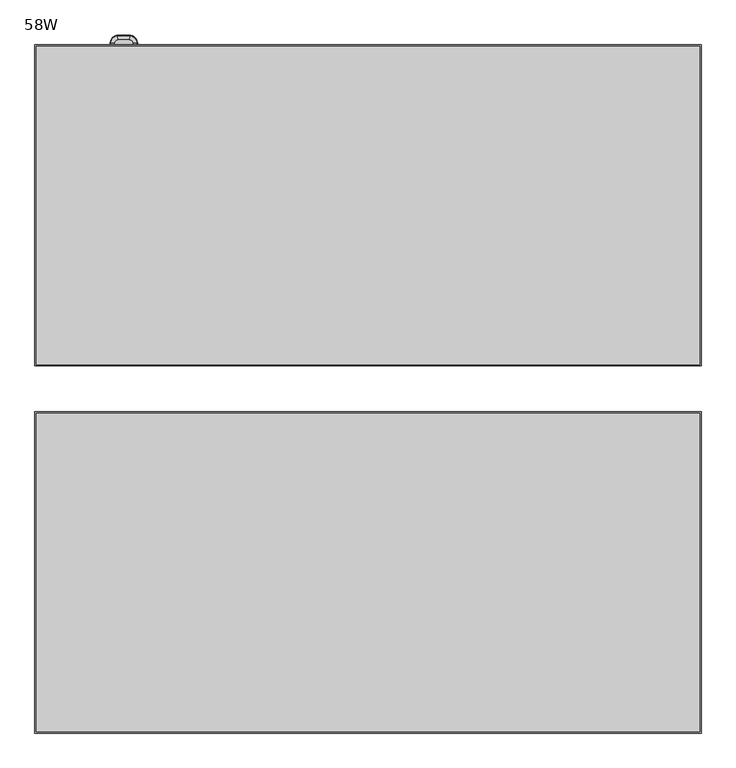
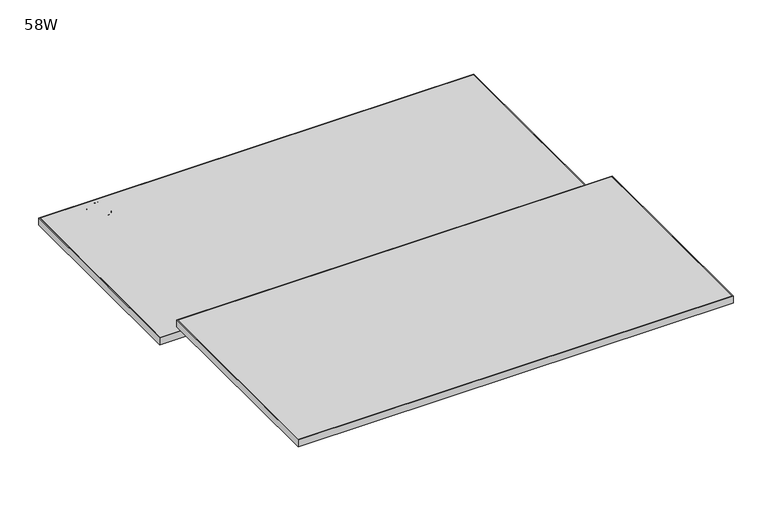
"""IFC4 building model written with IfcOpenShell, lengths in millimetres: furniture geometry, 58W."""

from ifc_helpers import new_model, si_unit, point, frame, origin, place, context, project, spatial, polyline, circle_curve, ellipse_curve, trimmed, outline, extrude, source, transform, mapped, element, save
from ifc_brep_helpers import plane_surface, revolved_surface, advanced_brep


def furniture_58w_2a44a207(model_context):
    return source(origin(), model_context, "Body", "SolidModel", [
        advanced_brep(
        [(-553.8115374, 822.8053798, 864.0002905), (-554.9543179, 830.4598422, 861.1834162), (-568.4427261, 815.5601737, 861.1834162), (-560.7126626, 815.1822062, 864.0002905), (-569.70939, 815.6221082, 859.7527708), (-555.1415762, 831.7141179, 859.7527708), (-555.1660814, 831.8782564, 855.4840916), (-569.8751497, 815.6302132, 855.4840916), (-568.2943896, 779.9758204, 861.1834162), (-560.5677458, 780.4182206, 864.0002905), (-569.7261794, 779.8938412, 855.4840916), (-569.5604931, 779.9033279, 859.7527708), (-554.1675965, 765.2103493, 861.1834162), (-553.3841927, 772.909896, 864.0002905), (-554.3127656, 763.7835807, 855.4840916), (-554.2959667, 763.9486859, 859.7527708), (-526.8358016, 765.0298244, 861.1834162), (-527.5174314, 772.7390475, 864.0002905), (-526.7094919, 763.6012626, 855.4840916), (-526.7241084, 763.7665754, 859.7527708), (-511.1085802, 781.3244805, 861.1834162), (-518.8371131, 781.7325499, 864.0002905), (-509.6764403, 781.248863, 855.4840916), (-509.8421671, 781.2576135, 859.7527708), (-510.9872101, 814.6662347, 861.1834162), (-518.718509, 814.314442, 864.0002905), (-509.5545576, 814.7314238, 855.4840916), (-509.7203437, 814.7238802, 859.7527708), (-525.506564, 830.6029673, 861.1834162), (-526.5748861, 822.9377583, 864.0002905), (-525.3085979, 832.023373, 855.4840916), (-525.3315065, 831.859004, 859.7527708), (-560.7126626, 815.1822062, 851.2999998), (-553.8115374, 822.8053798, 851.2999998), (-526.5748861, 822.9377583, 851.2999998), (-518.718509, 814.314442, 851.2999998), (-518.8371131, 781.7325499, 851.2999998), (-527.5174314, 772.7390475, 851.2999998), (-553.3841927, 772.909896, 851.2999998), (-560.5677458, 780.4182206, 851.2999998), (-569.5250419, 815.6130944, 854.740773), (-555.114323, 831.5315728, 854.740773), (-569.3762266, 779.9138783, 854.740773), (-554.2772839, 764.1323063, 854.740773), (-526.740364, 763.9504265, 854.740773), (-510.0264787, 781.2673452, 854.740773), (-509.9047213, 814.7154906, 854.740773), (-525.3569841, 831.6762026, 854.740773)],
        [
            (0, 1),
            (1, 2, circle_curve(frame((-552.6143107, 814.786231, 861.1834162), z_axis=(0.0, 0.0, 1.0), x_axis=(-0.14765943736555143, 0.9890382654664525, 0.0)), 15.8473253)),
            (2, 3),
            (3, 0, circle_curve(frame((-552.6143107, 814.786231, 863.9999998), z_axis=(0.0, 0.0, -1.0), x_axis=(-0.14765943736555143, 0.9890382654664525, 0.0)), 8.1088255)),
            (4, 5, circle_curve(frame((-552.6143107, 814.786231, 859.7527708), z_axis=(0.0, 0.0, -1.0), x_axis=(-0.14765943736555143, 0.9890382654664525, 0.0)), 17.1155025)),
            (5, 6, circle_curve(frame((-553.5147111, 820.8172064, 857.1868597), z_axis=(-0.9890382654664525, -0.1476594373655514, 0.0), x_axis=(0.1476594373655514, -0.9890382654664525, 0.0)), 11.3125272)),
            (6, 7, circle_curve(frame((-552.6143107, 814.786231, 855.4840916), z_axis=(0.0, 0.0, 1.0), x_axis=(-0.14765943736555143, 0.9890382654664525, 0.0)), 17.2814602)),
            (7, 4, circle_curve(frame((-558.7048525, 815.0840328, 857.1868597), z_axis=(0.04883743353824005, 0.9988067406087116, 0.0), x_axis=(0.9988067406087116, -0.04883743353824005, 0.0)), 11.3125272)),
            (1, 5, circle_curve(frame((-554.8529657, 829.7809746, 859.2975708), z_axis=(-0.9890382654664525, -0.1476594373655514, 0.0), x_axis=(0.1476594373655514, -0.9890382654664525, 0.0)), 2.0068747)),
            (4, 2, circle_curve(frame((-567.7571536, 815.5266521, 859.2975708), z_axis=(0.04883743353824094, 0.9988067406087116, 0.0), x_axis=(0.9988067406087116, -0.04883743353824094, 0.0)), 2.0068747)),
            (2, 8, circle_curve(frame((-233.1426653, 799.1654161, 861.1834162), z_axis=(0.0, 0.0, 1.0), x_axis=(-0.9988067406087116, 0.04883743353824024, 0.0)), 335.7006387)),
            (8, 9),
            (9, 3, circle_curve(frame((-233.1426653, 799.1654161, 863.9999998), z_axis=(0.0, 0.0, -1.0), x_axis=(-0.9988067406087116, 0.04883743353824024, 0.0)), 327.9621389)),
            (7, 10, circle_curve(frame((-233.1426653, 799.1654161, 855.4840916), z_axis=(0.0, 0.0, 1.0), x_axis=(-0.9988067406087116, 0.04883743353824024, 0.0)), 337.1347736)),
            (10, 11, circle_curve(frame((-558.560824, 780.5331298, 857.1868597), z_axis=(-0.057162821296982205, 0.9983648691041613, 0.0), x_axis=(0.9983648691041613, 0.057162821296982205, 0.0)), 11.3125272)),
            (11, 4, circle_curve(frame((-233.1426653, 799.1654161, 859.7527708), z_axis=(0.0, 0.0, -1.0), x_axis=(-0.9988067406087116, 0.04883743353824024, 0.0)), 336.9688159)),
            (11, 8, circle_curve(frame((-567.6091203, 780.0150565, 859.2975708), z_axis=(-0.05716282129698211, 0.9983648691041613, 0.0), x_axis=(0.9983648691041613, 0.05716282129698211, 0.0)), 2.0068747)),
            (8, 12, circle_curve(frame((-552.5736743, 780.8759327, 861.1834162), z_axis=(0.0, 0.0, 1.0), x_axis=(-0.9983648691041614, -0.05716282129698137, 0.0)), 15.7464628)),
            (12, 13),
            (13, 9, circle_curve(frame((-552.5736743, 780.8759327, 863.9999998), z_axis=(0.0, 0.0, -1.0), x_axis=(-0.9983648691041614, -0.05716282129698137, 0.0)), 8.0079629)),
            (10, 14, circle_curve(frame((-552.5736743, 780.8759327, 855.4840916), z_axis=(0.0, 0.0, 1.0), x_axis=(-0.9983648691041614, -0.05716282129698137, 0.0)), 17.1805977)),
            (14, 15, circle_curve(frame((-553.180711, 774.9097797, 857.1868597), z_axis=(-0.9948636454160269, 0.10122414252308601, 0.0), x_axis=(0.10122414252308601, 0.9948636454160269, 0.0)), 11.3125272)),
            (15, 11, circle_curve(frame((-552.5736743, 780.8759327, 859.7527708), z_axis=(0.0, 0.0, -1.0), x_axis=(-0.9983648691041614, -0.05716282129698137, 0.0)), 17.01464)),
            (15, 12, circle_curve(frame((-554.0981171, 765.8932153, 859.2975708), z_axis=(-0.9948636454160269, 0.1012241425230851, 0.0), x_axis=(0.1012241425230851, 0.9948636454160269, 0.0)), 2.0068747)),
            (12, 16, circle_curve(frame((-539.5523463, 908.8537603, 861.1834162), z_axis=(0.0, 0.0, 1.0), x_axis=(-0.10122414252308336, -0.9948636454160271, 0.0)), 144.3850237)),
            (16, 17),
            (17, 13, circle_curve(frame((-539.5523463, 908.8537603, 863.9999998), z_axis=(0.0, 0.0, -1.0), x_axis=(-0.10122414252308336, -0.9948636454160271, 0.0)), 136.6465238)),
            (14, 18, circle_curve(frame((-539.5523463, 908.8537603, 855.4840916), z_axis=(0.0, 0.0, 1.0), x_axis=(-0.10122414252308336, -0.9948636454160271, 0.0)), 145.8191585)),
            (18, 19, circle_curve(frame((-527.6944783, 774.7414445, 857.1868597), z_axis=(-0.996113947934043, -0.08807384816876529, 0.0), x_axis=(-0.08807384816876529, 0.996113947934043, 0.0)), 11.3125272)),
            (19, 15, circle_curve(frame((-539.5523463, 908.8537603, 859.7527708), z_axis=(0.0, 0.0, -1.0), x_axis=(-0.10122414252308336, -0.9948636454160271, 0.0)), 145.6532009)),
            (19, 16, circle_curve(frame((-526.8962548, 765.7135486, 859.2975708), z_axis=(-0.9961139479340431, -0.08807384816876548, 0.0), x_axis=(-0.08807384816876548, 0.9961139479340431, 0.0)), 2.0068747)),
            (16, 20, circle_curve(frame((-528.3570575, 782.2352064, 861.1834162), z_axis=(0.0, 0.0, 1.0), x_axis=(0.08807384816876603, -0.996113947934043, 0.0)), 17.2725039)),
            (20, 21),
            (21, 17, circle_curve(frame((-528.3570575, 782.2352064, 863.9999998), z_axis=(0.0, 0.0, -1.0), x_axis=(0.08807384816876603, -0.996113947934043, 0.0)), 9.534004)),
            (18, 22, circle_curve(frame((-528.3570575, 782.2352064, 855.4840916), z_axis=(0.0, 0.0, 1.0), x_axis=(0.08807384816876603, -0.996113947934043, 0.0)), 18.7066388)),
            (22, 23, circle_curve(frame((-520.8445256, 781.838542, 857.1868597), z_axis=(-0.052726915225638216, -0.9986089687213852, 0.0), x_axis=(-0.9986089687213852, 0.052726915225638216, 0.0)), 11.3125272)),
            (23, 19, circle_curve(frame((-528.3570575, 782.2352064, 859.7527708), z_axis=(0.0, 0.0, -1.0), x_axis=(0.08807384816876603, -0.996113947934043, 0.0)), 18.5406811)),
            (23, 20, circle_curve(frame((-511.794017, 781.3606719, 859.2975708), z_axis=(-0.05272691522564109, -0.998608968721385, 0.0), x_axis=(-0.998608968721385, 0.05272691522564109, 0.0)), 2.0068747)),
            (20, 24, circle_curve(frame((-850.226514, 799.2300303, 861.1834162), z_axis=(0.0, 0.0, 1.0), x_axis=(0.9986089687213847, -0.05272691522564658, 0.0)), 339.5903145)),
            (24, 25),
            (25, 21, circle_curve(frame((-850.226514, 799.2300303, 863.9999998), z_axis=(0.0, 0.0, -1.0), x_axis=(0.9986089687213847, -0.05272691522564658, 0.0)), 331.8518146)),
            (22, 26, circle_curve(frame((-850.226514, 799.2300303, 855.4840916), z_axis=(0.0, 0.0, 1.0), x_axis=(0.9986089687213847, -0.05272691522564658, 0.0)), 341.0244494)),
            (26, 27, circle_curve(frame((-520.72664, 814.2230672, 857.1868597), z_axis=(0.045455373076570625, -0.9989663703340917, 0.0), x_axis=(-0.9989663703340917, -0.045455373076570625, 0.0)), 11.3125272)),
            (27, 23, circle_curve(frame((-850.226514, 799.2300303, 859.7527708), z_axis=(0.0, 0.0, -1.0), x_axis=(0.9986089687213847, -0.05272691522564658, 0.0)), 340.8584917)),
            (27, 24, circle_curve(frame((-511.6728922, 814.6350345, 859.2975708), z_axis=(0.04545537307657064, -0.9989663703340917, 0.0), x_axis=(-0.9989663703340917, -0.04545537307657064, 0.0)), 2.0068747)),
            (24, 28, circle_curve(frame((-527.8345546, 813.89964, 861.1834162), z_axis=(0.0, 0.0, 1.0), x_axis=(0.9989663703340921, 0.045455373076564755, 0.0)), 16.8647764)),
            (28, 29),
            (29, 25, circle_curve(frame((-527.8345546, 813.89964, 863.9999998), z_axis=(0.0, 0.0, -1.0), x_axis=(0.9989663703340921, 0.045455373076564755, 0.0)), 9.1262765)),
            (26, 30, circle_curve(frame((-527.8345546, 813.89964, 855.4840916), z_axis=(0.0, 0.0, 1.0), x_axis=(0.9989663703340921, 0.045455373076564755, 0.0)), 18.2989113)),
            (30, 31, circle_curve(frame((-526.8523726, 820.9467936, 857.1868597), z_axis=(0.9904268457768624, -0.13803862924737945, 0.0), x_axis=(-0.13803862924737945, -0.9904268457768624, 0.0)), 11.3125272)),
            (31, 27, circle_curve(frame((-527.8345546, 813.89964, 859.7527708), z_axis=(0.0, 0.0, -1.0), x_axis=(0.9989663703340921, 0.045455373076564755, 0.0)), 18.1329536)),
            (31, 28, circle_curve(frame((-525.6013125, 829.9231467, 859.2975708), z_axis=(0.990426845776862, -0.13803862924738208, 0.0), x_axis=(-0.13803862924738208, -0.990426845776862, 0.0)), 2.0068747)),
            (0, 29, circle_curve(frame((-539.7346182, 728.516711, 863.9999998), z_axis=(0.0, 0.0, -1.0), x_axis=(0.13803862924737878, 0.9904268457768624, 0.0)), 95.33449)),
            (28, 1, circle_curve(frame((-539.7346182, 728.516711, 861.1834162), z_axis=(0.0, 0.0, 1.0), x_axis=(0.13803862924737878, 0.9904268457768624, 0.0)), 103.0729899)),
            (5, 31, circle_curve(frame((-539.7346182, 728.516711, 859.7527708), z_axis=(0.0, 0.0, -1.0), x_axis=(0.13803862924737878, 0.9904268457768624, 0.0)), 104.3411671)),
            (30, 6, circle_curve(frame((-539.7346182, 728.516711, 855.4840916), z_axis=(0.0, 0.0, 1.0), x_axis=(0.13803862924737878, 0.9904268457768624, 0.0)), 104.5071248)),
            (32, 33, circle_curve(frame((-552.6143107, 814.786231, 851.2999998), z_axis=(0.0, 0.0, -1.0), x_axis=(-0.14765943736555143, 0.9890382654664525, 0.0)), 8.1080269)),
            (33, 34, circle_curve(frame((-539.7346182, 728.516711, 851.2999998), z_axis=(0.0, 0.0, -1.0), x_axis=(0.13803862924737878, 0.9904268457768624, 0.0)), 95.3336914)),
            (34, 35, circle_curve(frame((-527.8345546, 813.89964, 851.2999998), z_axis=(0.0, 0.0, -1.0), x_axis=(0.9989663703340921, 0.045455373076564755, 0.0)), 9.1254779)),
            (35, 36, circle_curve(frame((-850.226514, 799.2300303, 851.2999998), z_axis=(0.0, 0.0, -1.0), x_axis=(0.9986089687213847, -0.05272691522564658, 0.0)), 331.851016)),
            (36, 37, circle_curve(frame((-528.3570575, 782.2352064, 851.2999998), z_axis=(0.0, 0.0, -1.0), x_axis=(0.08807384816876603, -0.996113947934043, 0.0)), 9.5332054)),
            (37, 38, circle_curve(frame((-539.5523463, 908.8537603, 851.2999998), z_axis=(0.0, 0.0, -1.0), x_axis=(-0.10122414252308336, -0.9948636454160271, 0.0)), 136.6457252)),
            (38, 39, circle_curve(frame((-552.5736743, 780.8759327, 851.2999998), z_axis=(0.0, 0.0, -1.0), x_axis=(-0.9983648691041614, -0.05716282129698137, 0.0)), 8.0071643)),
            (39, 32, circle_curve(frame((-233.1426653, 799.1654161, 851.2999998), z_axis=(0.0, 0.0, -1.0), x_axis=(-0.9988067406087116, 0.04883743353824024, 0.0)), 327.9613402)),
            (40, 41, circle_curve(frame((-552.6143107, 814.786231, 854.740773), z_axis=(0.0, 0.0, -1.0), x_axis=(-0.14765943736555143, 0.9890382654664525, 0.0)), 16.9309342)),
            (41, 33, circle_curve(frame((-553.961296, 823.8084781, 861.7316594), z_axis=(-0.9890382654664525, -0.1476594373655514, 0.0), x_axis=(0.1476594373655514, -0.9890382654664525, 0.0)), 10.4808471)),
            (32, 40, circle_curve(frame((-561.7256682, 815.2317379, 861.7316594), z_axis=(0.048837433538250014, 0.9988067406087111, 0.0), x_axis=(0.9988067406087111, -0.048837433538250014, 0.0)), 10.4808471)),
            (6, 41, circle_curve(frame((-554.955997, 830.471089, 855.7007148), z_axis=(-0.9890382654664525, -0.1476594373655514, 0.0), x_axis=(0.1476594373655514, -0.9890382654664525, 0.0)), 1.4391599)),
            (40, 7, circle_curve(frame((-568.4540841, 815.5607291, 855.7007148), z_axis=(0.04883743353823827, 0.9988067406087117, 0.0), x_axis=(0.9988067406087117, -0.04883743353823827, 0.0)), 1.4391599)),
            (39, 42, circle_curve(frame((-561.5803033, 780.3602451, 861.7316594), z_axis=(-0.057162821296982025, 0.9983648691041613, 0.0), x_axis=(0.9983648691041613, 0.057162821296982025, 0.0)), 10.4808471)),
            (42, 40, circle_curve(frame((-233.1426653, 799.1654161, 854.740773), z_axis=(0.0, 0.0, -1.0), x_axis=(-0.9988067406087116, 0.04883743353824024, 0.0)), 336.7842476)),
            (42, 10, circle_curve(frame((-568.3057425, 779.9751704, 855.7007148), z_axis=(-0.057162821296982205, 0.9983648691041613, 0.0), x_axis=(0.9983648691041613, 0.057162821296982205, 0.0)), 1.4391599)),
            (38, 43, circle_curve(frame((-553.4868558, 771.9008896, 861.7316594), z_axis=(-0.9948636454160272, 0.10122414252308135, 0.0), x_axis=(0.10122414252308135, 0.9948636454160272, 0.0)), 10.4808471)),
            (43, 42, circle_curve(frame((-552.5736743, 780.8759327, 854.740773), z_axis=(0.0, 0.0, -1.0), x_axis=(-0.9983648691041614, -0.05716282129698137, 0.0)), 16.8300716)),
            (43, 14, circle_curve(frame((-554.1687476, 765.1990362, 855.7007148), z_axis=(-0.9948636454160268, 0.10122414252308642, 0.0), x_axis=(0.10122414252308642, 0.9948636454160268, 0.0)), 1.4391599)),
            (37, 44, circle_curve(frame((-527.4281056, 771.728773, 861.7316594), z_axis=(-0.996113947934043, -0.08807384816876537, 0.0), x_axis=(-0.08807384816876537, 0.996113947934043, 0.0)), 10.4808471)),
            (44, 43, circle_curve(frame((-539.5523463, 908.8537603, 854.740773), z_axis=(0.0, 0.0, -1.0), x_axis=(-0.10122414252308336, -0.9948636454160271, 0.0)), 145.4686325)),
            (44, 18, circle_curve(frame((-526.8348001, 765.018497, 855.7007148), z_axis=(-0.996113947934043, -0.08807384816876535, 0.0), x_axis=(-0.08807384816876535, 0.996113947934043, 0.0)), 1.4391599)),
            (36, 45, circle_curve(frame((-517.8243081, 781.6790734, 861.7316594), z_axis=(-0.052726915225639506, -0.998608968721385, 0.0), x_axis=(-0.998608968721385, 0.052726915225639506, 0.0)), 10.4808471)),
            (45, 44, circle_curve(frame((-528.3570575, 782.2352064, 854.740773), z_axis=(0.0, 0.0, -1.0), x_axis=(0.08807384816876603, -0.996113947934043, 0.0)), 18.3561127)),
            (45, 22, circle_curve(frame((-511.0972245, 781.323881, 855.7007148), z_axis=(-0.05272691522563619, -0.9986089687213854, 0.0), x_axis=(-0.9986089687213854, 0.05272691522563619, 0.0)), 1.4391599)),
            (35, 46, circle_curve(frame((-517.7053415, 814.3605436, 861.7316594), z_axis=(0.045455373076571055, -0.9989663703340917, 0.0), x_axis=(-0.9989663703340917, -0.045455373076571055, 0.0)), 10.4808471)),
            (46, 45, circle_curve(frame((-850.226514, 799.2300303, 854.740773), z_axis=(0.0, 0.0, -1.0), x_axis=(0.9986089687213847, -0.05272691522564658, 0.0)), 340.6739233)),
            (46, 26, circle_curve(frame((-510.9758503, 814.6667516, 855.7007148), z_axis=(0.04545537307657083, -0.9989663703340917, 0.0), x_axis=(-0.9989663703340917, -0.04545537307657083, 0.0)), 1.4391599)),
            (34, 47, circle_curve(frame((-526.4348851, 823.9422649, 861.7316594), z_axis=(0.9904268457768621, -0.13803862924738097, 0.0), x_axis=(-0.13803862924738097, -0.9904268457768621, 0.0)), 10.4808471)),
            (47, 46, circle_curve(frame((-527.8345546, 813.89964, 854.740773), z_axis=(0.0, 0.0, -1.0), x_axis=(0.9989663703340921, 0.045455373076564755, 0.0)), 17.9483852)),
            (47, 30, circle_curve(frame((-525.5049942, 830.6142299, 855.7007148), z_axis=(0.9904268457768625, -0.138038629247379, 0.0), x_axis=(-0.138038629247379, -0.9904268457768625, 0.0)), 1.4391599)),
            (41, 47, circle_curve(frame((-539.7346182, 728.516711, 854.740773), z_axis=(0.0, 0.0, -1.0), x_axis=(0.13803862924737878, 0.9904268457768624, 0.0)), 104.1565987)),
        ],
        [
            revolved_surface(polyline([(-554.9543179, 830.4598422, 861.1834162), (-553.8115374, 822.8053798, 864.0002905)]), (-552.6143107, 814.786231, 0.0), (0.0, 0.0, 1.0)),
            revolved_surface(trimmed(ellipse_curve(frame((-553.5147111, 820.8172064, 857.1868597), z_axis=(0.9890382654664525, 0.1476594373655514, 0.0), x_axis=(0.1476594373655514, -0.9890382654664525, 0.0)), 11.3125272, 11.3125272), [point((-555.1660814, 831.8782564, 855.4840916))], [point((-555.1415762, 831.7141179, 859.7527708))], True, "CARTESIAN"), (-552.6143107, 814.786231, 0.0), (0.0, 0.0, 1.0)),
            revolved_surface(trimmed(ellipse_curve(frame((-554.8529657, 829.7809746, 859.2975708), z_axis=(0.9890382654664525, 0.1476594373655514, 0.0), x_axis=(0.1476594373655514, -0.9890382654664525, 0.0)), 2.0068747, 2.0068747), [point((-555.1415762, 831.7141179, 859.7527708))], [point((-554.9543179, 830.4598422, 861.1834162))], True, "CARTESIAN"), (-552.6143107, 814.786231, 0.0), (0.0, 0.0, 1.0)),
            revolved_surface(polyline([(-568.4427261, 815.5601737, 861.1834162), (-560.7126626, 815.1822062, 864.0002905)]), (-233.1426653, 799.1654161, 0.0), (0.0, 0.0, 1.0)),
            revolved_surface(trimmed(ellipse_curve(frame((-558.7048525, 815.0840328, 857.1868597), z_axis=(0.04883743353824022, 0.9988067406087116, 0.0), x_axis=(0.9988067406087116, -0.04883743353824022, 0.0)), 11.3125272, 11.3125272), [point((-569.8751497, 815.6302132, 855.4840916))], [point((-569.70939, 815.6221082, 859.7527708))], True, "CARTESIAN"), (-233.1426653, 799.1654161, 0.0), (0.0, 0.0, 1.0)),
            revolved_surface(trimmed(ellipse_curve(frame((-567.7571536, 815.5266521, 859.2975708), z_axis=(0.04883743353824022, 0.9988067406087116, 0.0), x_axis=(0.9988067406087116, -0.04883743353824022, 0.0)), 2.0068747, 2.0068747), [point((-569.70939, 815.6221082, 859.7527708))], [point((-568.4427261, 815.5601737, 861.1834162))], True, "CARTESIAN"), (-233.1426653, 799.1654161, 0.0), (0.0, 0.0, 1.0)),
            revolved_surface(polyline([(-568.2943896, 779.9758204, 861.1834162), (-560.5677458, 780.4182206, 864.0002905)]), (-552.5736743, 780.8759327, 0.0), (0.0, 0.0, 1.0)),
            revolved_surface(trimmed(ellipse_curve(frame((-558.560824, 780.5331298, 857.1868597), z_axis=(-0.05716282129698137, 0.9983648691041614, 0.0), x_axis=(0.9983648691041614, 0.05716282129698137, 0.0)), 11.3125272, 11.3125272), [point((-569.7261794, 779.8938412, 855.4840916))], [point((-569.5604931, 779.9033279, 859.7527708))], True, "CARTESIAN"), (-552.5736743, 780.8759327, 0.0), (0.0, 0.0, 1.0)),
            revolved_surface(trimmed(ellipse_curve(frame((-567.6091203, 780.0150565, 859.2975708), z_axis=(-0.05716282129698137, 0.9983648691041614, 0.0), x_axis=(0.9983648691041614, 0.05716282129698137, 0.0)), 2.0068747, 2.0068747), [point((-569.5604931, 779.9033279, 859.7527708))], [point((-568.2943896, 779.9758204, 861.1834162))], True, "CARTESIAN"), (-552.5736743, 780.8759327, 0.0), (0.0, 0.0, 1.0)),
            revolved_surface(polyline([(-554.1675965, 765.2103493, 861.1834162), (-553.3841927, 772.909896, 864.0002905)]), (-539.5523463, 908.8537603, 0.0), (0.0, 0.0, 1.0)),
            revolved_surface(trimmed(ellipse_curve(frame((-553.180711, 774.9097797, 857.1868597), z_axis=(-0.9948636454160271, 0.10122414252308339, 0.0), x_axis=(0.10122414252308339, 0.9948636454160271, 0.0)), 11.3125272, 11.3125272), [point((-554.3127656, 763.7835807, 855.4840916))], [point((-554.2959667, 763.9486859, 859.7527708))], True, "CARTESIAN"), (-539.5523463, 908.8537603, 0.0), (0.0, 0.0, 1.0)),
            revolved_surface(trimmed(ellipse_curve(frame((-554.0981171, 765.8932153, 859.2975708), z_axis=(-0.9948636454160271, 0.10122414252308339, 0.0), x_axis=(0.10122414252308339, 0.9948636454160271, 0.0)), 2.0068747, 2.0068747), [point((-554.2959667, 763.9486859, 859.7527708))], [point((-554.1675965, 765.2103493, 861.1834162))], True, "CARTESIAN"), (-539.5523463, 908.8537603, 0.0), (0.0, 0.0, 1.0)),
            revolved_surface(polyline([(-526.8358016, 765.0298244, 861.1834162), (-527.5174314, 772.7390475, 864.0002905)]), (-528.3570575, 782.2352064, 0.0), (0.0, 0.0, 1.0)),
            revolved_surface(trimmed(ellipse_curve(frame((-527.6944783, 774.7414445, 857.1868597), z_axis=(-0.996113947934043, -0.08807384816876601, 0.0), x_axis=(-0.08807384816876601, 0.996113947934043, 0.0)), 11.3125272, 11.3125272), [point((-526.7094919, 763.6012626, 855.4840916))], [point((-526.7241084, 763.7665754, 859.7527708))], True, "CARTESIAN"), (-528.3570575, 782.2352064, 0.0), (0.0, 0.0, 1.0)),
            revolved_surface(trimmed(ellipse_curve(frame((-526.8962548, 765.7135486, 859.2975708), z_axis=(-0.996113947934043, -0.08807384816876601, 0.0), x_axis=(-0.08807384816876601, 0.996113947934043, 0.0)), 2.0068747, 2.0068747), [point((-526.7241084, 763.7665754, 859.7527708))], [point((-526.8358016, 765.0298244, 861.1834162))], True, "CARTESIAN"), (-528.3570575, 782.2352064, 0.0), (0.0, 0.0, 1.0)),
            revolved_surface(polyline([(-511.1085802, 781.3244805, 861.1834162), (-518.8371131, 781.7325499, 864.0002905)]), (-850.226514, 799.2300303, 0.0), (0.0, 0.0, 1.0)),
            revolved_surface(trimmed(ellipse_curve(frame((-520.8445256, 781.838542, 857.1868597), z_axis=(-0.05272691522564656, -0.9986089687213847, 0.0), x_axis=(-0.9986089687213847, 0.05272691522564656, 0.0)), 11.3125272, 11.3125272), [point((-509.6764403, 781.248863, 855.4840916))], [point((-509.8421671, 781.2576135, 859.7527708))], True, "CARTESIAN"), (-850.226514, 799.2300303, 0.0), (0.0, 0.0, 1.0)),
            revolved_surface(trimmed(ellipse_curve(frame((-511.794017, 781.3606719, 859.2975708), z_axis=(-0.05272691522564656, -0.9986089687213847, 0.0), x_axis=(-0.9986089687213847, 0.05272691522564656, 0.0)), 2.0068747, 2.0068747), [point((-509.8421671, 781.2576135, 859.7527708))], [point((-511.1085802, 781.3244805, 861.1834162))], True, "CARTESIAN"), (-850.226514, 799.2300303, 0.0), (0.0, 0.0, 1.0)),
            revolved_surface(polyline([(-510.9872101, 814.6662347, 861.1834162), (-518.718509, 814.314442, 864.0002905)]), (-527.8345546, 813.89964, 0.0), (0.0, 0.0, 1.0)),
            revolved_surface(trimmed(ellipse_curve(frame((-520.72664, 814.2230672, 857.1868597), z_axis=(0.04545537307656477, -0.9989663703340921, 0.0), x_axis=(-0.9989663703340921, -0.04545537307656477, 0.0)), 11.3125272, 11.3125272), [point((-509.5545576, 814.7314238, 855.4840916))], [point((-509.7203437, 814.7238802, 859.7527708))], True, "CARTESIAN"), (-527.8345546, 813.89964, 0.0), (0.0, 0.0, 1.0)),
            revolved_surface(trimmed(ellipse_curve(frame((-511.6728922, 814.6350345, 859.2975708), z_axis=(0.04545537307656477, -0.9989663703340921, 0.0), x_axis=(-0.9989663703340921, -0.04545537307656477, 0.0)), 2.0068747, 2.0068747), [point((-509.7203437, 814.7238802, 859.7527708))], [point((-510.9872101, 814.6662347, 861.1834162))], True, "CARTESIAN"), (-527.8345546, 813.89964, 0.0), (0.0, 0.0, 1.0)),
            revolved_surface(polyline([(-525.506564, 830.6029673, 861.1834162), (-526.5748861, 822.9377583, 864.0002905)]), (-539.7346182, 728.516711, 0.0), (0.0, 0.0, 1.0)),
            revolved_surface(trimmed(ellipse_curve(frame((-526.8523726, 820.9467936, 857.1868597), z_axis=(0.9904268457768624, -0.1380386292473788, 0.0), x_axis=(-0.1380386292473788, -0.9904268457768624, 0.0)), 11.3125272, 11.3125272), [point((-525.3085979, 832.023373, 855.4840916))], [point((-525.3315065, 831.859004, 859.7527708))], True, "CARTESIAN"), (-539.7346182, 728.516711, 0.0), (0.0, 0.0, 1.0)),
            revolved_surface(trimmed(ellipse_curve(frame((-525.6013125, 829.9231467, 859.2975708), z_axis=(0.9904268457768624, -0.1380386292473788, 0.0), x_axis=(-0.1380386292473788, -0.9904268457768624, 0.0)), 2.0068747, 2.0068747), [point((-525.3315065, 831.859004, 859.7527708))], [point((-525.506564, 830.6029673, 861.1834162))], True, "CARTESIAN"), (-539.7346182, 728.516711, 0.0), (0.0, 0.0, 1.0)),
            plane_surface(frame((-552.5736743, 772.8687684, 851.2999998), z_axis=(0.0, 0.0, -1.0), x_axis=(-1.0, 0.0, 0.0))),
            plane_surface(frame((-552.5736743, 772.8687684, 863.9999998), z_axis=(0.0, 0.0, 1.0), x_axis=(1.0, 0.0, 0.0))),
            revolved_surface(trimmed(ellipse_curve(frame((-553.961296, 823.8084781, 861.7316594), z_axis=(0.9890382654664525, 0.1476594373655514, 0.0), x_axis=(0.1476594373655514, -0.9890382654664525, 0.0)), 10.4808471, 10.4808471), [point((-553.8115374, 822.8053798, 851.2999998))], [point((-555.114323, 831.5315728, 854.740773))], True, "CARTESIAN"), (-552.6143107, 814.786231, 0.0), (0.0, 0.0, 1.0)),
            revolved_surface(trimmed(ellipse_curve(frame((-554.955997, 830.471089, 855.7007148), z_axis=(0.9890382654664525, 0.1476594373655514, 0.0), x_axis=(0.1476594373655514, -0.9890382654664525, 0.0)), 1.4391599, 1.4391599), [point((-555.114323, 831.5315728, 854.740773))], [point((-555.1660814, 831.8782564, 855.4840916))], True, "CARTESIAN"), (-552.6143107, 814.786231, 0.0), (0.0, 0.0, 1.0)),
            revolved_surface(trimmed(ellipse_curve(frame((-561.7256682, 815.2317379, 861.7316594), z_axis=(0.04883743353824022, 0.9988067406087116, 0.0), x_axis=(0.9988067406087116, -0.04883743353824022, 0.0)), 10.4808471, 10.4808471), [point((-560.7126626, 815.1822062, 851.2999998))], [point((-569.5250419, 815.6130944, 854.740773))], True, "CARTESIAN"), (-233.1426653, 799.1654161, 0.0), (0.0, 0.0, 1.0)),
            revolved_surface(trimmed(ellipse_curve(frame((-568.4540841, 815.5607291, 855.7007148), z_axis=(0.04883743353824022, 0.9988067406087116, 0.0), x_axis=(0.9988067406087116, -0.04883743353824022, 0.0)), 1.4391599, 1.4391599), [point((-569.5250419, 815.6130944, 854.740773))], [point((-569.8751497, 815.6302132, 855.4840916))], True, "CARTESIAN"), (-233.1426653, 799.1654161, 0.0), (0.0, 0.0, 1.0)),
            revolved_surface(trimmed(ellipse_curve(frame((-561.5803033, 780.3602451, 861.7316594), z_axis=(-0.05716282129698137, 0.9983648691041614, 0.0), x_axis=(0.9983648691041614, 0.05716282129698137, 0.0)), 10.4808471, 10.4808471), [point((-560.5677458, 780.4182206, 851.2999998))], [point((-569.3762266, 779.9138783, 854.740773))], True, "CARTESIAN"), (-552.5736743, 780.8759327, 0.0), (0.0, 0.0, 1.0)),
            revolved_surface(trimmed(ellipse_curve(frame((-568.3057425, 779.9751704, 855.7007148), z_axis=(-0.05716282129698137, 0.9983648691041614, 0.0), x_axis=(0.9983648691041614, 0.05716282129698137, 0.0)), 1.4391599, 1.4391599), [point((-569.3762266, 779.9138783, 854.740773))], [point((-569.7261794, 779.8938412, 855.4840916))], True, "CARTESIAN"), (-552.5736743, 780.8759327, 0.0), (0.0, 0.0, 1.0)),
            revolved_surface(trimmed(ellipse_curve(frame((-553.4868558, 771.9008896, 861.7316594), z_axis=(-0.9948636454160271, 0.10122414252308339, 0.0), x_axis=(0.10122414252308339, 0.9948636454160271, 0.0)), 10.4808471, 10.4808471), [point((-553.3841927, 772.909896, 851.2999998))], [point((-554.2772839, 764.1323063, 854.740773))], True, "CARTESIAN"), (-539.5523463, 908.8537603, 0.0), (0.0, 0.0, 1.0)),
            revolved_surface(trimmed(ellipse_curve(frame((-554.1687476, 765.1990362, 855.7007148), z_axis=(-0.9948636454160271, 0.10122414252308339, 0.0), x_axis=(0.10122414252308339, 0.9948636454160271, 0.0)), 1.4391599, 1.4391599), [point((-554.2772839, 764.1323063, 854.740773))], [point((-554.3127656, 763.7835807, 855.4840916))], True, "CARTESIAN"), (-539.5523463, 908.8537603, 0.0), (0.0, 0.0, 1.0)),
            revolved_surface(trimmed(ellipse_curve(frame((-527.4281056, 771.728773, 861.7316594), z_axis=(-0.996113947934043, -0.08807384816876601, 0.0), x_axis=(-0.08807384816876601, 0.996113947934043, 0.0)), 10.4808471, 10.4808471), [point((-527.5174314, 772.7390475, 851.2999998))], [point((-526.740364, 763.9504265, 854.740773))], True, "CARTESIAN"), (-528.3570575, 782.2352064, 0.0), (0.0, 0.0, 1.0)),
            revolved_surface(trimmed(ellipse_curve(frame((-526.8348001, 765.018497, 855.7007148), z_axis=(-0.996113947934043, -0.08807384816876601, 0.0), x_axis=(-0.08807384816876601, 0.996113947934043, 0.0)), 1.4391599, 1.4391599), [point((-526.740364, 763.9504265, 854.740773))], [point((-526.7094919, 763.6012626, 855.4840916))], True, "CARTESIAN"), (-528.3570575, 782.2352064, 0.0), (0.0, 0.0, 1.0)),
            revolved_surface(trimmed(ellipse_curve(frame((-517.8243081, 781.6790734, 861.7316594), z_axis=(-0.05272691522564656, -0.9986089687213847, 0.0), x_axis=(-0.9986089687213847, 0.05272691522564656, 0.0)), 10.4808471, 10.4808471), [point((-518.8371131, 781.7325499, 851.2999998))], [point((-510.0264787, 781.2673452, 854.740773))], True, "CARTESIAN"), (-850.226514, 799.2300303, 0.0), (0.0, 0.0, 1.0)),
            revolved_surface(trimmed(ellipse_curve(frame((-511.0972245, 781.323881, 855.7007148), z_axis=(-0.05272691522564656, -0.9986089687213847, 0.0), x_axis=(-0.9986089687213847, 0.05272691522564656, 0.0)), 1.4391599, 1.4391599), [point((-510.0264787, 781.2673452, 854.740773))], [point((-509.6764403, 781.248863, 855.4840916))], True, "CARTESIAN"), (-850.226514, 799.2300303, 0.0), (0.0, 0.0, 1.0)),
            revolved_surface(trimmed(ellipse_curve(frame((-517.7053415, 814.3605436, 861.7316594), z_axis=(0.04545537307656477, -0.9989663703340921, 0.0), x_axis=(-0.9989663703340921, -0.04545537307656477, 0.0)), 10.4808471, 10.4808471), [point((-518.718509, 814.314442, 851.2999998))], [point((-509.9047213, 814.7154906, 854.740773))], True, "CARTESIAN"), (-527.8345546, 813.89964, 0.0), (0.0, 0.0, 1.0)),
            revolved_surface(trimmed(ellipse_curve(frame((-510.9758503, 814.6667516, 855.7007148), z_axis=(0.04545537307656477, -0.9989663703340921, 0.0), x_axis=(-0.9989663703340921, -0.04545537307656477, 0.0)), 1.4391599, 1.4391599), [point((-509.9047213, 814.7154906, 854.740773))], [point((-509.5545576, 814.7314238, 855.4840916))], True, "CARTESIAN"), (-527.8345546, 813.89964, 0.0), (0.0, 0.0, 1.0)),
            revolved_surface(trimmed(ellipse_curve(frame((-526.4348851, 823.9422649, 861.7316594), z_axis=(0.9904268457768624, -0.1380386292473788, 0.0), x_axis=(-0.1380386292473788, -0.9904268457768624, 0.0)), 10.4808471, 10.4808471), [point((-526.5748861, 822.9377583, 851.2999998))], [point((-525.3569841, 831.6762026, 854.740773))], True, "CARTESIAN"), (-539.7346182, 728.516711, 0.0), (0.0, 0.0, 1.0)),
            revolved_surface(trimmed(ellipse_curve(frame((-525.5049942, 830.6142299, 855.7007148), z_axis=(0.9904268457768624, -0.1380386292473788, 0.0), x_axis=(-0.1380386292473788, -0.9904268457768624, 0.0)), 1.4391599, 1.4391599), [point((-525.3569841, 831.6762026, 854.740773))], [point((-525.3085979, 832.023373, 855.4840916))], True, "CARTESIAN"), (-539.7346182, 728.516711, 0.0), (0.0, 0.0, 1.0)),
        ],
        [
            (0, [[1, 2, 3, 4]]),
            (1, [[5, 6, 7, 8]]),
            (2, [[-2, 9, -5, 10]]),
            (3, [[-3, 11, 12, 13]]),
            (4, [[-8, 14, 15, 16]]),
            (5, [[-10, -16, 17, -11]]),
            (6, [[-12, 18, 19, 20]]),
            (7, [[-15, 21, 22, 23]]),
            (8, [[-17, -23, 24, -18]]),
            (9, [[-19, 25, 26, 27]]),
            (10, [[-22, 28, 29, 30]]),
            (11, [[-24, -30, 31, -25]]),
            (12, [[-26, 32, 33, 34]]),
            (13, [[-29, 35, 36, 37]]),
            (14, [[-31, -37, 38, -32]]),
            (15, [[-33, 39, 40, 41]]),
            (16, [[-36, 42, 43, 44]]),
            (17, [[-38, -44, 45, -39]]),
            (18, [[-40, 46, 47, 48]]),
            (19, [[-43, 49, 50, 51]]),
            (20, [[-45, -51, 52, -46]]),
            (21, [[-1, 53, -47, 54]]),
            (22, [[-6, 55, -50, 56]]),
            (23, [[-9, -54, -52, -55]]),
            (24, [[57, 58, 59, 60, 61, 62, 63, 64]]),
            (25, [[-4, -13, -20, -27, -34, -41, -48, -53]]),
            (26, [[65, 66, -57, 67]]),
            (27, [[-7, 68, -65, 69]]),
            (28, [[-67, -64, 70, 71]]),
            (29, [[-14, -69, -71, 72]]),
            (30, [[-70, -63, 73, 74]]),
            (31, [[-21, -72, -74, 75]]),
            (32, [[-73, -62, 76, 77]]),
            (33, [[-28, -75, -77, 78]]),
            (34, [[-76, -61, 79, 80]]),
            (35, [[-35, -78, -80, 81]]),
            (36, [[-79, -60, 82, 83]]),
            (37, [[-42, -81, -83, 84]]),
            (38, [[-82, -59, 85, 86]]),
            (39, [[-49, -84, -86, 87]]),
            (40, [[-66, 88, -85, -58]]),
            (41, [[-56, -87, -88, -68]]),
        ],
    ),
        extrude(outline(polyline([(733.637698, -706.84375), (-733.5622806, -706.84375), (-733.5622806, -3.0), (733.637698, -3.0), (733.637698, -706.84375)])), frame((0.0, 0.0, 990.9999998), z_axis=(0.0, 0.0, 1.0), x_axis=(1.0, 0.0, 0.0)), (0.0, 0.0, 1.0), 25.0000002),
        extrude(outline(polyline([(736.6, -709.8439286), (-736.6, -709.8439286), (-736.6, 0.0), (736.6, 0.0), (736.6, -709.8439286)]), holes=[polyline([(733.637698, -706.84375), (733.637698, -3.0), (-733.5622806, -3.0), (-733.5622806, -706.84375), (733.637698, -706.84375)])]), frame((0.0, 0.0, 990.9999998), z_axis=(0.0, 0.0, 1.0), x_axis=(1.0, 0.0, 0.0)), (0.0, 0.0, 1.0), 25.0000002),
        extrude(outline(polyline([(733.637698, 808.4439663), (733.637698, 104.5993194), (-733.5622806, 104.5993194), (-733.5622806, 808.4439663), (733.637698, 808.4439663)])), frame((0.0, 0.0, 863.9999998), z_axis=(0.0, 0.0, 1.0), x_axis=(1.0, 0.0, 0.0)), (0.0, 0.0, 1.0), 25.0000002),
        extrude(outline(polyline([(736.6, 811.4439286), (736.6, 101.6), (-736.6, 101.6), (-736.6, 811.4439286), (736.6, 811.4439286)]), holes=[polyline([(733.637698, 808.4439663), (-733.5622806, 808.4439663), (-733.5622806, 104.5993194), (733.637698, 104.5993194), (733.637698, 808.4439663)])]), frame((0.0, 0.0, 863.9999998), z_axis=(0.0, 0.0, 1.0), x_axis=(1.0, 0.0, 0.0)), (0.0, 0.0, 1.0), 25.0000002),
    ])


if __name__ == "__main__":
    model = new_model("IFC4")
    model_context = context("Model", 3, world=origin())
    ifc_project = project(units=[si_unit("LENGTHUNIT", "METRE", prefix="MILLI")], contexts=[model_context])
    site = spatial("IfcSite", under=ifc_project)
    building = spatial("IfcBuilding", under=site)
    placement = place(None, origin())
    furniture_58w_shape = furniture_58w_2a44a207(model_context)
    element("IfcFurniture", 1, ObjectType="58W", at=placement, inside=building, context=model_context, shape_type="MappedRepresentation", body=[
        mapped(furniture_58w_shape, transform((0.0, 0.0, 0.0), x_axis=(1.0, 0.0, 0.0), y_axis=(0.0, 1.0, 0.0), z_axis=(0.0, 0.0, 1.0))),
    ])
    save(model, "model.ifc")
